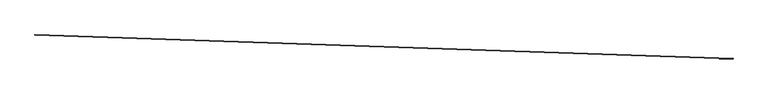
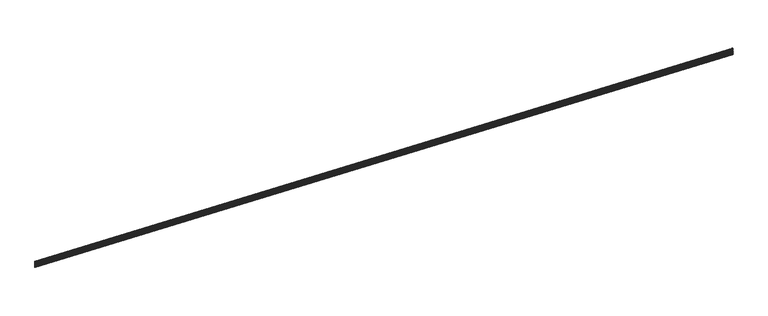
"""IFC4 building model written with IfcOpenShell, lengths in millimetres: proxy geometry."""

import ifcopenshell
import ifcopenshell.guid

model = None  # the IFC model being written
_history = None  # IfcOwnerHistory: only IFC2X3 demands one
_inside = {}  # id of a spatial element -> (the spatial element, [elements in it])
_under = {}  # id of a project, library or spatial element -> (it, [spatial elements below it])
_declared = {}  # id of a project -> (the project, [libraries it declares])
_typed = {}  # id of a type object -> (the type object, [elements of that type])
_made_of = {}  # id of a material, layer set ... -> (it, [elements and type objects made of it])


def new_model(schema):
    """Start an empty IFC model of exactly this schema.

    Asked for "IFC4X3", IfcOpenShell would pick the latest addendum, in which some entities
    have other attributes; the version numbers below select the first issue.
    IFC2X3 requires an IfcOwnerHistory on every rooted entity: one is made here for all.
    """
    global model, _history
    if schema == "IFC4X3":
        model = ifcopenshell.file(schema_version=(4, 3, 0, 0))
    else:
        model = ifcopenshell.file(schema=schema)
    _inside.clear()
    _under.clear()
    _declared.clear()
    _typed.clear()
    _made_of.clear()
    _history = None
    if model.schema == "IFC2X3":
        org = make("IfcOrganization", Name="unknown")
        user = make(
            "IfcPersonAndOrganization",
            ThePerson=make("IfcPerson", FamilyName="unknown"),
            TheOrganization=org,
        )
        app = make(
            "IfcApplication",
            ApplicationDeveloper=org,
            Version="unknown",
            ApplicationFullName="unknown",
            ApplicationIdentifier="unknown",
        )
        _history = make(
            "IfcOwnerHistory",
            OwningUser=user,
            OwningApplication=app,
            ChangeAction="ADDED",
            CreationDate=0,
        )
    return model


def make(cls, **values):
    """One entity of the class cls with the attributes given. An attribute that is None is left unset."""
    return model.create_entity(
        cls, **{name: value for name, value in values.items() if value is not None}
    )


def rooted(cls, **values):
    """An entity with a GlobalId (a new one), such as an element, a storey or a relation."""
    return make(cls, GlobalId=ifcopenshell.guid.new(), OwnerHistory=_history, **values)


def si_unit(unit_type, name, prefix=None):
    """IfcSIUnit, for example si_unit("LENGTHUNIT", "METRE", prefix="MILLI")."""
    return make("IfcSIUnit", UnitType=unit_type, Prefix=prefix, Name=name)


def assignment(units):
    """IfcUnitAssignment: the units of a project."""
    return None if units is None else make("IfcUnitAssignment", Units=units)


def point(xyz):
    """IfcCartesianPoint."""
    return None if xyz is None else make("IfcCartesianPoint", Coordinates=xyz)


def direction(xyz):
    """IfcDirection."""
    return None if xyz is None else make("IfcDirection", DirectionRatios=xyz)


def frame(location, z_axis=None, x_axis=None):
    """IfcAxis2Placement3D, a coordinate frame: its origin and axes. An axis left out is left unset."""
    return make(
        "IfcAxis2Placement3D",
        Location=point(location),
        Axis=direction(z_axis),
        RefDirection=direction(x_axis),
    )


def origin():
    """The frame at (0, 0, 0) with its axes left unset."""
    return frame((0.0, 0.0, 0.0))


def place(relative_to, where):
    """IfcLocalPlacement: puts the frame where relative to a parent placement (None: the world)."""
    return make(
        "IfcLocalPlacement", PlacementRelTo=relative_to, RelativePlacement=where
    )


def context(
    kind, dimensions, precision=None, world=None, true_north=None, identifier=None
):
    """IfcGeometricRepresentationContext, for example the 3D "Model" context."""
    return make(
        "IfcGeometricRepresentationContext",
        ContextIdentifier=identifier,
        ContextType=kind,
        CoordinateSpaceDimension=dimensions,
        Precision=precision,
        WorldCoordinateSystem=world,
        TrueNorth=true_north,
    )


def project(units=None, contexts=None):
    """IfcProject with its units and contexts."""
    return rooted(
        "IfcProject",
        Name="project",
        RepresentationContexts=contexts,
        UnitsInContext=assignment(units),
    )


def spatial(cls, under=None, at=None, **own):
    """A site, building, storey or space (cls), placed at a placement, below another one or the project."""
    s = rooted(cls, ObjectPlacement=at, **own)
    if under is not None:
        _under.setdefault(under.id(), (under, []))[1].append(s)
    return s


def polyline(points):
    """IfcPolyline through the points."""
    return make("IfcPolyline", Points=[point(p) for p in points])


def outline(outer, holes=None, kind="AREA"):
    """IfcArbitraryClosedProfileDef: a profile drawn as a closed curve; with holes, ...WithVoids."""
    if holes is None:
        return make("IfcArbitraryClosedProfileDef", ProfileType=kind, OuterCurve=outer)
    return make(
        "IfcArbitraryProfileDefWithVoids",
        ProfileType=kind,
        OuterCurve=outer,
        InnerCurves=holes,
    )


def extrude(swept, where, along, depth):
    """IfcExtrudedAreaSolid: the profile swept, set in the frame where, extruded along a direction by depth."""
    return make(
        "IfcExtrudedAreaSolid",
        SweptArea=swept,
        Position=where,
        ExtrudedDirection=direction(along),
        Depth=depth,
    )


def shape(context_of_items, identifier, shape_type, items):
    """IfcShapeRepresentation: the items that make up one representation, for example the "Body"."""
    return make(
        "IfcShapeRepresentation",
        ContextOfItems=context_of_items,
        RepresentationIdentifier=identifier,
        RepresentationType=shape_type,
        Items=items,
    )


def source(mapping_origin, context_of_items, identifier, shape_type, items):
    """IfcRepresentationMap: a shape defined once, which mapped items show again and again."""
    return make(
        "IfcRepresentationMap",
        MappingOrigin=mapping_origin,
        MappedRepresentation=shape(context_of_items, identifier, shape_type, items),
    )


def transform(
    local_origin,
    x_axis=None,
    y_axis=None,
    z_axis=None,
    scale=None,
    scale2=None,
    scale3=None,
    uniform=True,
):
    """IfcCartesianTransformationOperator3D, or its non-uniform kind. x_axis, y_axis, z_axis: its Axis1, 2, 3."""
    if uniform:
        return make(
            "IfcCartesianTransformationOperator3D",
            Axis1=direction(x_axis),
            Axis2=direction(y_axis),
            LocalOrigin=point(local_origin),
            Scale=scale,
            Axis3=direction(z_axis),
        )
    return make(
        "IfcCartesianTransformationOperator3DnonUniform",
        Axis1=direction(x_axis),
        Axis2=direction(y_axis),
        LocalOrigin=point(local_origin),
        Scale=scale,
        Axis3=direction(z_axis),
        Scale2=scale2,
        Scale3=scale3,
    )


def mapped(mapping_source, mapping_target):
    """IfcMappedItem: shows the shape of a source again, moved by a transform."""
    return make(
        "IfcMappedItem", MappingSource=mapping_source, MappingTarget=mapping_target
    )


def made_of(thing, what):
    """Note that an element or type object is made of a material, layer set ...; save() writes the relation."""
    if what is not None:
        _made_of.setdefault(what.id(), (what, []))[1].append(thing)
    return thing


def element(
    cls,
    number,
    at=None,
    inside=None,
    cuts=None,
    type_object=None,
    material=None,
    context=None,
    identifier="Body",
    shape_type=None,
    held_by="IfcProductDefinitionShape",
    body=None,
    shapes=None,
    **own,
):
    """One element of the class cls, such as IfcWall. Its Tag is "e" and its number.

    at: its placement. inside: the storey or other place that contains it. cuts: it is an
    opening in that element (IfcRelVoidsElement). A single representation is given by context,
    identifier, shape_type and body (its items); several are given by shapes. held_by: the class
    of the entity that holds the representations. save() writes the other relations.
    """
    e = rooted(cls, Tag="e%d" % number, ObjectPlacement=at, **own)
    if body is not None:
        shapes = [shape(context, identifier, shape_type, body)]
    if shapes is not None:
        e.Representation = make(held_by, Representations=shapes)
    if inside is not None:
        _inside.setdefault(inside.id(), (inside, []))[1].append(e)
    if cuts is not None:
        rooted(
            "IfcRelVoidsElement", RelatingBuildingElement=cuts, RelatedOpeningElement=e
        )
    if type_object is not None:
        _typed.setdefault(type_object.id(), (type_object, []))[1].append(e)
    return made_of(e, material)


def aggregate(whole, parts):
    """IfcRelAggregates: a whole, such as a stair, and the parts it consists of."""
    return rooted("IfcRelAggregates", RelatingObject=whole, RelatedObjects=parts)


def save(model, path):
    """Write the relations noted so far, then the file.

    IfcRelAggregates (storeys below a building ...), IfcRelContainedInSpatialStructure (elements
    in a storey), IfcRelDefinesByType, IfcRelAssociatesMaterial and IfcRelDeclares: one each for
    every whole, place, type object, material and project.
    """
    for whole, parts in _under.values():
        aggregate(whole, parts)
    for where, things in _inside.values():
        rooted(
            "IfcRelContainedInSpatialStructure",
            RelatedElements=things,
            RelatingStructure=where,
        )
    for kind, things in _typed.values():
        rooted("IfcRelDefinesByType", RelatedObjects=things, RelatingType=kind)
    for what, things in _made_of.values():
        rooted("IfcRelAssociatesMaterial", RelatedObjects=things, RelatingMaterial=what)
    for by, libraries in _declared.values():
        rooted("IfcRelDeclares", RelatingContext=by, RelatedDefinitions=libraries)
    model.write(path)


def generic_models_dfa6ed78(model_context):
    return source(origin(), model_context, "Body", "SweptSolid", [
        extrude(outline(polyline([(-3.1749993, 0.0), (0.0, 0.0), (0.0, 12.7), (5.4236225, 15.2290767), (5.4236225, 19.6959233), (-1e-07, 22.225), (-1e-07, 31.75), (3.1749999, 31.75), (3.1749999, 24.247698), (9.2139906, 21.4316705), (9.2139906, 13.4933295), (3.175, 10.6773019), (3.175, -3.175), (1e-07, -3.175), (1e-07, -34.13125), (9.5250002, -34.13125), (9.5250002, -37.30625), (3e-07, -37.30625), (3e-07, -59.5312499), (9.5250003, -59.5312499), (9.5250003, -62.70625), (4e-07, -62.70625), (4e-07, -84.9312499), (9.5250004, -84.9312499), (9.5250004, -88.10625), (6e-07, -88.10625), (6e-07, -113.50625), (8.8104391, -113.50625), (8.8104391, -123.03125), (4.9129911, -123.03125), (4.9129911, -116.68125), (7e-07, -116.68125), (7e-07, -133.35), (-3.1749993, -133.35), (-3.1749993, 0.0)])), frame((34377.09634, -14812.3976044, 3934.7824341), z_axis=(-0.9994149475908112, 0.03420179135741461, 0.0), x_axis=(-0.03420179135741461, -0.9994149475908112, 0.0)), (0.0, 0.0, 1.0), 17068.8),
    ])


if __name__ == "__main__":
    model = new_model("IFC4")
    model_context = context("Model", 3, world=origin())
    ifc_project = project(units=[si_unit("LENGTHUNIT", "METRE", prefix="MILLI")], contexts=[model_context])
    site = spatial("IfcSite", under=ifc_project)
    building = spatial("IfcBuilding", under=site)
    placement = place(None, origin())
    generic_models_shape = generic_models_dfa6ed78(model_context)
    element("IfcBuildingElementProxy", 1, Name="Generic Models", at=placement, inside=building, context=model_context, shape_type="MappedRepresentation", body=[
        mapped(generic_models_shape, transform((0.0, 0.0, 0.0), x_axis=(1.0, 0.0, 0.0), y_axis=(0.0, 1.0, 0.0), z_axis=(0.0, 0.0, 1.0))),
    ])
    save(model, "model.ifc")
